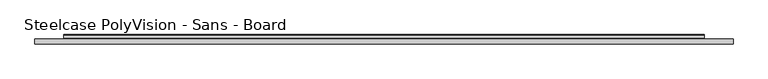
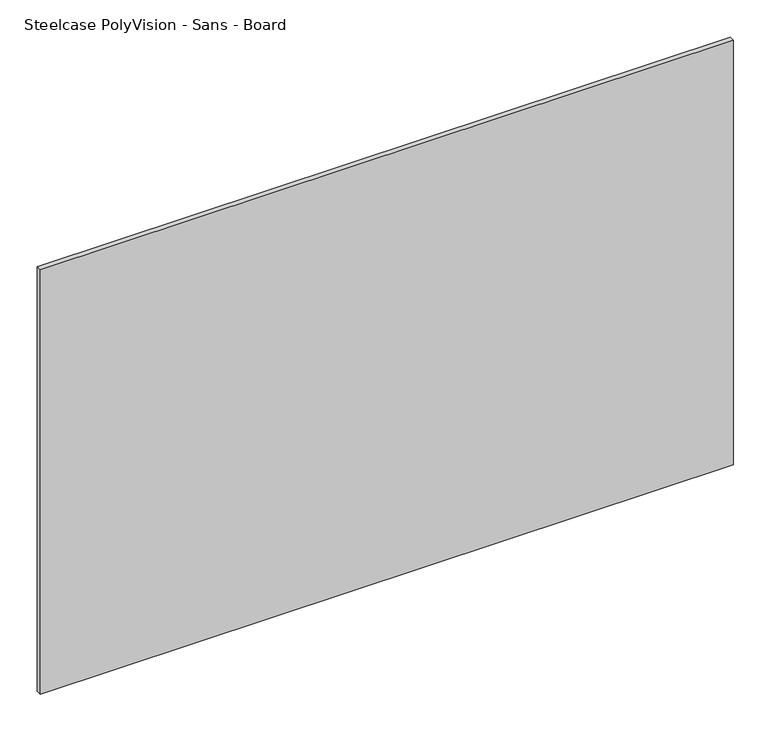
"""IFC4 building model written with IfcOpenShell, lengths in millimetres: furniture geometry, Steelcase PolyVision - Sans - Board."""

from ifc_helpers import new_model, si_unit, point, frame, frame_2d, origin, place, context, project, spatial, polyline, circle_curve, trimmed, segment, composite_curve, outline, extrude, source, transform, mapped, element, save


def steelcase_polyvision_sans_board_ea91d6d8(model_context):
    return source(origin(), model_context, "Body", "SweptSolid", [
        extrude(outline(composite_curve([segment(polyline([(-8.8481574, 619.3808713), (-8.8481574, 601.8344204)]), True, "CONTINUOUS"), segment(trimmed(circle_curve(frame_2d((-4.2772473, 601.8344204)), 4.5709102), [point((-8.8481574, 601.8344204))], [point((-7.9751913, 599.1477068))], True, "CARTESIAN"), True, "CONTINUOUS"), segment(polyline([(-7.9751913, 599.1477068), (0.0947957, 588.0403226)]), True, "CONTINUOUS"), segment(trimmed(circle_curve(frame_2d((-4.5154855, 584.6907573)), 5.698621), [point((0.0947957, 588.0403226))], [point((1.1831355, 584.6907573))], False, "CARTESIAN"), True, "CONTINUOUS"), segment(polyline([(1.1831355, 584.6907573), (1.1831355, 568.4530446), (-0.4876652, 568.4530446), (-0.4876652, 585.5209704), (-10.3887554, 599.1486519), (-10.3887554, 619.3808713), (-8.8481574, 619.3808713)]), True, "CONTINUOUS")], self_intersect=False)), frame((75.0, 0.0, 0.0), z_axis=(1.0, 0.0, 0.0), x_axis=(0.0, 1.0, 0.0)), (0.0, 0.0, 1.0), 1680.0),
        extrude(outline(composite_curve([segment(polyline([(-8.8481574, 1533.7681298), (-8.8481574, 1516.2216789)]), True, "CONTINUOUS"), segment(trimmed(circle_curve(frame_2d((-4.2772473, 1516.2216789)), 4.5709102), [point((-8.8481574, 1516.2216789))], [point((-7.9751913, 1513.5349653))], True, "CARTESIAN"), True, "CONTINUOUS"), segment(polyline([(-7.9751913, 1513.5349653), (0.0947957, 1502.4275811)]), True, "CONTINUOUS"), segment(trimmed(circle_curve(frame_2d((-4.5154855, 1499.0780158)), 5.698621), [point((0.0947957, 1502.4275811))], [point((1.1831355, 1499.0780158))], False, "CARTESIAN"), True, "CONTINUOUS"), segment(polyline([(1.1831355, 1499.0780158), (1.1831355, 1482.840303), (-0.4876652, 1482.840303), (-0.4876652, 1499.9082289), (-10.3887554, 1513.5359104), (-10.3887554, 1533.7681298), (-8.8481574, 1533.7681298)]), True, "CONTINUOUS")], self_intersect=False)), frame((75.0, 0.0, 0.0), z_axis=(1.0, 0.0, 0.0), x_axis=(0.0, 1.0, 0.0)), (0.0, 0.0, 1.0), 1680.0),
        extrude(outline(polyline([(0.0, -10.3887554), (1830.0, -10.3887554), (1830.0, -23.4949322), (0.0, -23.4949322), (0.0, -10.3887554)])), frame((0.0, 0.0, 483.0), z_axis=(0.0, 0.0, 1.0), x_axis=(1.0, 0.0, 0.0)), (0.0, 0.0, 1.0), 1185.0),
    ])


if __name__ == "__main__":
    model = new_model("IFC4")
    model_context = context("Model", 3, world=origin())
    ifc_project = project(units=[si_unit("LENGTHUNIT", "METRE", prefix="MILLI")], contexts=[model_context])
    site = spatial("IfcSite", under=ifc_project)
    building = spatial("IfcBuilding", under=site)
    placement = place(None, origin())
    steelcase_polyvision_sans_board_shape = steelcase_polyvision_sans_board_ea91d6d8(model_context)
    element("IfcFurniture", 1, ObjectType="Steelcase PolyVision - Sans - Board", at=placement, inside=building, context=model_context, shape_type="MappedRepresentation", body=[
        mapped(steelcase_polyvision_sans_board_shape, transform((0.0, 0.0, 0.0), x_axis=(1.0, 0.0, 0.0), y_axis=(0.0, 1.0, 0.0), z_axis=(0.0, 0.0, 1.0))),
    ])
    save(model, "model.ifc")
